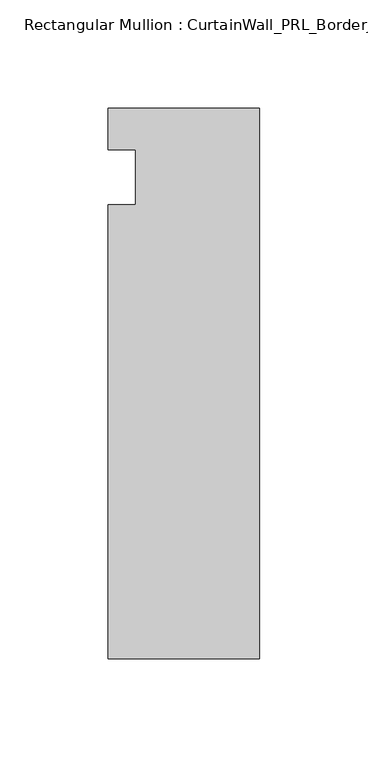
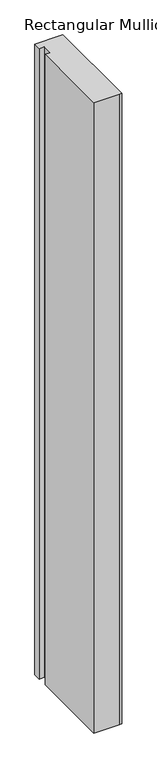
"""IFC4 building model written with IfcOpenShell, lengths in millimetres: member geometry, Rectangular Mullion : CurtainWall_PRL_BorderJamb_1002 Reverse."""

import ifcopenshell
import ifcopenshell.guid

model = None  # the IFC model being written
_history = None  # IfcOwnerHistory: only IFC2X3 demands one
_inside = {}  # id of a spatial element -> (the spatial element, [elements in it])
_under = {}  # id of a project, library or spatial element -> (it, [spatial elements below it])
_declared = {}  # id of a project -> (the project, [libraries it declares])
_typed = {}  # id of a type object -> (the type object, [elements of that type])
_made_of = {}  # id of a material, layer set ... -> (it, [elements and type objects made of it])


def new_model(schema):
    """Start an empty IFC model of exactly this schema.

    Asked for "IFC4X3", IfcOpenShell would pick the latest addendum, in which some entities
    have other attributes; the version numbers below select the first issue.
    IFC2X3 requires an IfcOwnerHistory on every rooted entity: one is made here for all.
    """
    global model, _history
    if schema == "IFC4X3":
        model = ifcopenshell.file(schema_version=(4, 3, 0, 0))
    else:
        model = ifcopenshell.file(schema=schema)
    _inside.clear()
    _under.clear()
    _declared.clear()
    _typed.clear()
    _made_of.clear()
    _history = None
    if model.schema == "IFC2X3":
        org = make("IfcOrganization", Name="unknown")
        user = make(
            "IfcPersonAndOrganization",
            ThePerson=make("IfcPerson", FamilyName="unknown"),
            TheOrganization=org,
        )
        app = make(
            "IfcApplication",
            ApplicationDeveloper=org,
            Version="unknown",
            ApplicationFullName="unknown",
            ApplicationIdentifier="unknown",
        )
        _history = make(
            "IfcOwnerHistory",
            OwningUser=user,
            OwningApplication=app,
            ChangeAction="ADDED",
            CreationDate=0,
        )
    return model


def make(cls, **values):
    """One entity of the class cls with the attributes given. An attribute that is None is left unset."""
    return model.create_entity(
        cls, **{name: value for name, value in values.items() if value is not None}
    )


def rooted(cls, **values):
    """An entity with a GlobalId (a new one), such as an element, a storey or a relation."""
    return make(cls, GlobalId=ifcopenshell.guid.new(), OwnerHistory=_history, **values)


def si_unit(unit_type, name, prefix=None):
    """IfcSIUnit, for example si_unit("LENGTHUNIT", "METRE", prefix="MILLI")."""
    return make("IfcSIUnit", UnitType=unit_type, Prefix=prefix, Name=name)


def assignment(units):
    """IfcUnitAssignment: the units of a project."""
    return None if units is None else make("IfcUnitAssignment", Units=units)


def point(xyz):
    """IfcCartesianPoint."""
    return None if xyz is None else make("IfcCartesianPoint", Coordinates=xyz)


def direction(xyz):
    """IfcDirection."""
    return None if xyz is None else make("IfcDirection", DirectionRatios=xyz)


def frame(location, z_axis=None, x_axis=None):
    """IfcAxis2Placement3D, a coordinate frame: its origin and axes. An axis left out is left unset."""
    return make(
        "IfcAxis2Placement3D",
        Location=point(location),
        Axis=direction(z_axis),
        RefDirection=direction(x_axis),
    )


def origin():
    """The frame at (0, 0, 0) with its axes left unset."""
    return frame((0.0, 0.0, 0.0))


def place(relative_to, where):
    """IfcLocalPlacement: puts the frame where relative to a parent placement (None: the world)."""
    return make(
        "IfcLocalPlacement", PlacementRelTo=relative_to, RelativePlacement=where
    )


def context(
    kind, dimensions, precision=None, world=None, true_north=None, identifier=None
):
    """IfcGeometricRepresentationContext, for example the 3D "Model" context."""
    return make(
        "IfcGeometricRepresentationContext",
        ContextIdentifier=identifier,
        ContextType=kind,
        CoordinateSpaceDimension=dimensions,
        Precision=precision,
        WorldCoordinateSystem=world,
        TrueNorth=true_north,
    )


def project(units=None, contexts=None):
    """IfcProject with its units and contexts."""
    return rooted(
        "IfcProject",
        Name="project",
        RepresentationContexts=contexts,
        UnitsInContext=assignment(units),
    )


def spatial(cls, under=None, at=None, **own):
    """A site, building, storey or space (cls), placed at a placement, below another one or the project."""
    s = rooted(cls, ObjectPlacement=at, **own)
    if under is not None:
        _under.setdefault(under.id(), (under, []))[1].append(s)
    return s


def polyline(points):
    """IfcPolyline through the points."""
    return make("IfcPolyline", Points=[point(p) for p in points])


def outline(outer, holes=None, kind="AREA"):
    """IfcArbitraryClosedProfileDef: a profile drawn as a closed curve; with holes, ...WithVoids."""
    if holes is None:
        return make("IfcArbitraryClosedProfileDef", ProfileType=kind, OuterCurve=outer)
    return make(
        "IfcArbitraryProfileDefWithVoids",
        ProfileType=kind,
        OuterCurve=outer,
        InnerCurves=holes,
    )


def extrude(swept, where, along, depth):
    """IfcExtrudedAreaSolid: the profile swept, set in the frame where, extruded along a direction by depth."""
    return make(
        "IfcExtrudedAreaSolid",
        SweptArea=swept,
        Position=where,
        ExtrudedDirection=direction(along),
        Depth=depth,
    )


def shape(context_of_items, identifier, shape_type, items):
    """IfcShapeRepresentation: the items that make up one representation, for example the "Body"."""
    return make(
        "IfcShapeRepresentation",
        ContextOfItems=context_of_items,
        RepresentationIdentifier=identifier,
        RepresentationType=shape_type,
        Items=items,
    )


def source(mapping_origin, context_of_items, identifier, shape_type, items):
    """IfcRepresentationMap: a shape defined once, which mapped items show again and again."""
    return make(
        "IfcRepresentationMap",
        MappingOrigin=mapping_origin,
        MappedRepresentation=shape(context_of_items, identifier, shape_type, items),
    )


def transform(
    local_origin,
    x_axis=None,
    y_axis=None,
    z_axis=None,
    scale=None,
    scale2=None,
    scale3=None,
    uniform=True,
):
    """IfcCartesianTransformationOperator3D, or its non-uniform kind. x_axis, y_axis, z_axis: its Axis1, 2, 3."""
    if uniform:
        return make(
            "IfcCartesianTransformationOperator3D",
            Axis1=direction(x_axis),
            Axis2=direction(y_axis),
            LocalOrigin=point(local_origin),
            Scale=scale,
            Axis3=direction(z_axis),
        )
    return make(
        "IfcCartesianTransformationOperator3DnonUniform",
        Axis1=direction(x_axis),
        Axis2=direction(y_axis),
        LocalOrigin=point(local_origin),
        Scale=scale,
        Axis3=direction(z_axis),
        Scale2=scale2,
        Scale3=scale3,
    )


def mapped(mapping_source, mapping_target):
    """IfcMappedItem: shows the shape of a source again, moved by a transform."""
    return make(
        "IfcMappedItem", MappingSource=mapping_source, MappingTarget=mapping_target
    )


def made_of(thing, what):
    """Note that an element or type object is made of a material, layer set ...; save() writes the relation."""
    if what is not None:
        _made_of.setdefault(what.id(), (what, []))[1].append(thing)
    return thing


def element(
    cls,
    number,
    at=None,
    inside=None,
    cuts=None,
    type_object=None,
    material=None,
    context=None,
    identifier="Body",
    shape_type=None,
    held_by="IfcProductDefinitionShape",
    body=None,
    shapes=None,
    **own,
):
    """One element of the class cls, such as IfcWall. Its Tag is "e" and its number.

    at: its placement. inside: the storey or other place that contains it. cuts: it is an
    opening in that element (IfcRelVoidsElement). A single representation is given by context,
    identifier, shape_type and body (its items); several are given by shapes. held_by: the class
    of the entity that holds the representations. save() writes the other relations.
    """
    e = rooted(cls, Tag="e%d" % number, ObjectPlacement=at, **own)
    if body is not None:
        shapes = [shape(context, identifier, shape_type, body)]
    if shapes is not None:
        e.Representation = make(held_by, Representations=shapes)
    if inside is not None:
        _inside.setdefault(inside.id(), (inside, []))[1].append(e)
    if cuts is not None:
        rooted(
            "IfcRelVoidsElement", RelatingBuildingElement=cuts, RelatedOpeningElement=e
        )
    if type_object is not None:
        _typed.setdefault(type_object.id(), (type_object, []))[1].append(e)
    return made_of(e, material)


def aggregate(whole, parts):
    """IfcRelAggregates: a whole, such as a stair, and the parts it consists of."""
    return rooted("IfcRelAggregates", RelatingObject=whole, RelatedObjects=parts)


def save(model, path):
    """Write the relations noted so far, then the file.

    IfcRelAggregates (storeys below a building ...), IfcRelContainedInSpatialStructure (elements
    in a storey), IfcRelDefinesByType, IfcRelAssociatesMaterial and IfcRelDeclares: one each for
    every whole, place, type object, material and project.
    """
    for whole, parts in _under.values():
        aggregate(whole, parts)
    for where, things in _inside.values():
        rooted(
            "IfcRelContainedInSpatialStructure",
            RelatedElements=things,
            RelatingStructure=where,
        )
    for kind, things in _typed.values():
        rooted("IfcRelDefinesByType", RelatedObjects=things, RelatingType=kind)
    for what, things in _made_of.values():
        rooted("IfcRelAssociatesMaterial", RelatedObjects=things, RelatingMaterial=what)
    for by, libraries in _declared.values():
        rooted("IfcRelDeclares", RelatingContext=by, RelatedDefinitions=libraries)
    model.write(path)


def rectangular_mullion_curtainwall_prl_borderjamb_1002_reverse_336fb9f6(model_context):
    return source(origin(), model_context, "Body", "SweptSolid", [
        extrude(outline(polyline([(-57.15, -12.7), (-57.15, 12.7), (-69.85, 12.7), (-69.85, 31.75), (-7.3958824, 31.75), (0.0, 31.75), (0.0, -222.25), (-6.35, -222.25), (-69.85, -222.25), (-69.85, -12.7), (-57.15, -12.7)])), frame((0.0, 0.0, -1663.7), z_axis=(0.0, 0.0, 1.0), x_axis=(1.0, 0.0, 0.0)), (0.0, 0.0, 1.0), 1663.7),
    ])


if __name__ == "__main__":
    model = new_model("IFC4")
    model_context = context("Model", 3, world=origin())
    ifc_project = project(units=[si_unit("LENGTHUNIT", "METRE", prefix="MILLI")], contexts=[model_context])
    site = spatial("IfcSite", under=ifc_project)
    building = spatial("IfcBuilding", under=site)
    placement = place(None, origin())
    rectangular_mullion_curtainwall_prl_borderjamb_1002_reverse_shape = rectangular_mullion_curtainwall_prl_borderjamb_1002_reverse_336fb9f6(model_context)
    element("IfcMember", 1, ObjectType="Rectangular Mullion : CurtainWall_PRL_BorderJamb_1002 Reverse", at=placement, inside=building, context=model_context, shape_type="MappedRepresentation", body=[
        mapped(rectangular_mullion_curtainwall_prl_borderjamb_1002_reverse_shape, transform((0.0, 0.0, 0.0), x_axis=(1.0, 0.0, 0.0), y_axis=(0.0, 1.0, 0.0), z_axis=(0.0, 0.0, 1.0))),
    ])
    save(model, "model.ifc")
